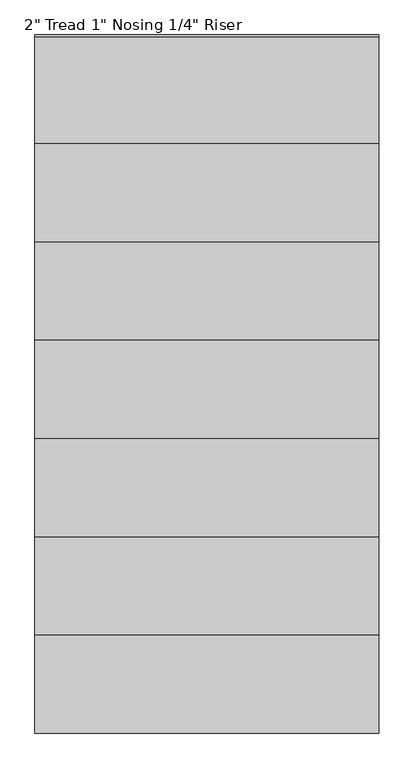
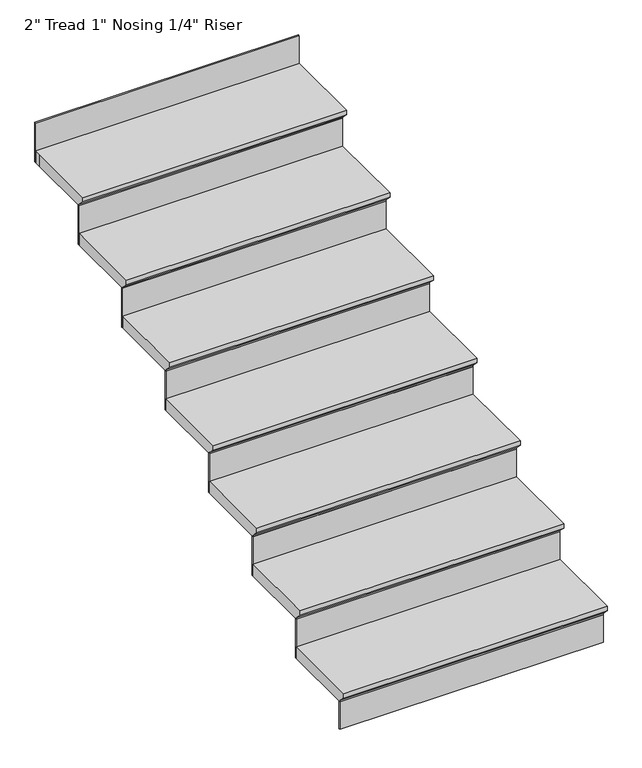
"""IFC4 building model written with IfcOpenShell, lengths in millimetres: stair flight geometry."""

from ifc_helpers import new_model, si_unit, origin, place, context, project, spatial, faceted_brep, source, transform, mapped, element, save


def stair_flight_4bdedba6(model_context):
    return source(origin(), model_context, "Body", "Brep", [
        faceted_brep([(29555.6368532, -16252.694512, 149.7852941), (29555.6368532, -16252.694512, 168.8352941), (28488.8368532, -16252.694512, 168.8352941), (28488.8368532, -16252.694512, 149.7852941), (29555.6368532, -16227.294512, 124.3852941), (28488.8368532, -16227.294512, 124.3852941), (29555.6368532, -15922.494512, 168.8352941), (28488.8368532, -15922.494512, 168.8352941), (28488.8368532, -16227.294512, 118.0352941), (28488.8368532, -15922.494512, 118.0352941), (29555.6368532, -15922.494512, 118.0352941), (29555.6368532, -16227.294512, 118.0352941)], [[[0, 1, 2, 3]], [[4, 0, 3, 5]], [[2, 1, 6, 7]], [[8, 9, 10, 11]], [[2, 7, 9, 8, 5, 3]], [[8, 11, 4, 5]], [[6, 1, 0, 4, 11, 10]], [[7, 6, 10, 9]]]),
        faceted_brep([(29555.6368532, -16227.294512, 118.0352941), (29555.6368532, -16227.294512, 0.0), (29555.6368532, -16220.944512, 0.0), (29555.6368532, -16220.944512, 118.0352941), (28488.8368532, -16227.294512, 118.0352941), (28488.8368532, -16220.944512, 118.0352941), (28488.8368532, -16220.944512, 0.0), (28488.8368532, -16227.294512, 0.0)], [[[0, 1, 2, 3]], [[4, 5, 6, 7]], [[1, 0, 4, 7]], [[2, 1, 7, 6]], [[3, 2, 6, 5]], [[0, 3, 5, 4]]]),
        faceted_brep([(29555.6368532, -15922.494512, 286.8705882), (29555.6368532, -15922.494512, 118.0352941), (29555.6368532, -15916.144512, 118.0352941), (29555.6368532, -15916.144512, 286.8705882), (28488.8368532, -15922.494512, 286.8705882), (28488.8368532, -15916.144512, 286.8705882), (28488.8368532, -15916.144512, 118.0352941), (28488.8368532, -15922.494512, 118.0352941)], [[[0, 1, 2, 3]], [[4, 5, 6, 7]], [[1, 0, 4, 7]], [[2, 1, 7, 6]], [[3, 2, 6, 5]], [[0, 3, 5, 4]]]),
        faceted_brep([(28488.8368532, -15947.894512, 337.6705882), (29555.6368532, -15947.894512, 337.6705882), (29555.6368532, -15617.694512, 337.6705882), (28488.8368532, -15617.694512, 337.6705882), (28488.8368532, -15922.494512, 286.8705882), (28488.8368532, -15617.694512, 286.8705882), (29555.6368532, -15617.694512, 286.8705882), (29555.6368532, -15922.494512, 286.8705882), (28488.8368532, -15922.494512, 293.2205882), (28488.8368532, -15947.894512, 318.6205882), (29555.6368532, -15922.494512, 293.2205882), (29555.6368532, -15947.894512, 318.6205882)], [[[0, 1, 2, 3]], [[4, 5, 6, 7]], [[0, 3, 5, 4, 8, 9]], [[4, 7, 10, 8]], [[2, 1, 11, 10, 7, 6]], [[3, 2, 6, 5]], [[11, 1, 0, 9]], [[10, 11, 9, 8]]]),
        faceted_brep([(29555.6368532, -15617.694512, 455.7058824), (29555.6368532, -15617.694512, 286.8705882), (29555.6368532, -15611.344512, 286.8705882), (29555.6368532, -15611.344512, 455.7058824), (28488.8368532, -15617.694512, 455.7058824), (28488.8368532, -15611.344512, 455.7058824), (28488.8368532, -15611.344512, 286.8705882), (28488.8368532, -15617.694512, 286.8705882)], [[[0, 1, 2, 3]], [[4, 5, 6, 7]], [[1, 0, 4, 7]], [[2, 1, 7, 6]], [[3, 2, 6, 5]], [[0, 3, 5, 4]]]),
        faceted_brep([(28488.8368532, -15643.094512, 506.5058824), (29555.6368532, -15643.094512, 506.5058824), (29555.6368532, -15312.894512, 506.5058824), (28488.8368532, -15312.894512, 506.5058824), (28488.8368532, -15617.694512, 455.7058824), (28488.8368532, -15312.894512, 455.7058824), (29555.6368532, -15312.894512, 455.7058824), (29555.6368532, -15617.694512, 455.7058824), (28488.8368532, -15617.694512, 462.0558824), (28488.8368532, -15643.094512, 487.4558824), (29555.6368532, -15617.694512, 462.0558824), (29555.6368532, -15643.094512, 487.4558824)], [[[0, 1, 2, 3]], [[4, 5, 6, 7]], [[0, 3, 5, 4, 8, 9]], [[4, 7, 10, 8]], [[2, 1, 11, 10, 7, 6]], [[3, 2, 6, 5]], [[11, 1, 0, 9]], [[10, 11, 9, 8]]]),
        faceted_brep([(29555.6368532, -15312.894512, 624.5411765), (29555.6368532, -15312.894512, 455.7058824), (29555.6368532, -15306.544512, 455.7058824), (29555.6368532, -15306.544512, 624.5411765), (28488.8368532, -15312.894512, 624.5411765), (28488.8368532, -15306.544512, 624.5411765), (28488.8368532, -15306.544512, 455.7058824), (28488.8368532, -15312.894512, 455.7058824)], [[[0, 1, 2, 3]], [[4, 5, 6, 7]], [[1, 0, 4, 7]], [[2, 1, 7, 6]], [[3, 2, 6, 5]], [[0, 3, 5, 4]]]),
        faceted_brep([(28488.8368532, -15338.294512, 675.3411765), (29555.6368532, -15338.294512, 675.3411765), (29555.6368532, -15008.094512, 675.3411765), (28488.8368532, -15008.094512, 675.3411765), (28488.8368532, -15312.894512, 624.5411765), (28488.8368532, -15008.094512, 624.5411765), (29555.6368532, -15008.094512, 624.5411765), (29555.6368532, -15312.894512, 624.5411765), (28488.8368532, -15312.894512, 630.8911765), (28488.8368532, -15338.294512, 656.2911765), (29555.6368532, -15312.894512, 630.8911765), (29555.6368532, -15338.294512, 656.2911765)], [[[0, 1, 2, 3]], [[4, 5, 6, 7]], [[0, 3, 5, 4, 8, 9]], [[4, 7, 10, 8]], [[2, 1, 11, 10, 7, 6]], [[3, 2, 6, 5]], [[11, 1, 0, 9]], [[10, 11, 9, 8]]]),
        faceted_brep([(29555.6368532, -15008.094512, 793.3764706), (29555.6368532, -15008.094512, 624.5411765), (29555.6368532, -15001.744512, 624.5411765), (29555.6368532, -15001.744512, 793.3764706), (28488.8368532, -15008.094512, 793.3764706), (28488.8368532, -15001.744512, 793.3764706), (28488.8368532, -15001.744512, 624.5411765), (28488.8368532, -15008.094512, 624.5411765)], [[[0, 1, 2, 3]], [[4, 5, 6, 7]], [[1, 0, 4, 7]], [[2, 1, 7, 6]], [[3, 2, 6, 5]], [[0, 3, 5, 4]]]),
        faceted_brep([(28488.8368532, -15033.494512, 844.1764706), (29555.6368532, -15033.494512, 844.1764706), (29555.6368532, -14703.294512, 844.1764706), (28488.8368532, -14703.294512, 844.1764706), (28488.8368532, -15008.094512, 793.3764706), (28488.8368532, -14703.294512, 793.3764706), (29555.6368532, -14703.294512, 793.3764706), (29555.6368532, -15008.094512, 793.3764706), (28488.8368532, -15008.094512, 799.7264706), (28488.8368532, -15033.494512, 825.1264706), (29555.6368532, -15008.094512, 799.7264706), (29555.6368532, -15033.494512, 825.1264706)], [[[0, 1, 2, 3]], [[4, 5, 6, 7]], [[0, 3, 5, 4, 8, 9]], [[4, 7, 10, 8]], [[2, 1, 11, 10, 7, 6]], [[3, 2, 6, 5]], [[11, 1, 0, 9]], [[10, 11, 9, 8]]]),
        faceted_brep([(29555.6368532, -14703.294512, 962.2117647), (29555.6368532, -14703.294512, 793.3764706), (29555.6368532, -14696.944512, 793.3764706), (29555.6368532, -14696.944512, 962.2117647), (28488.8368532, -14703.294512, 962.2117647), (28488.8368532, -14696.944512, 962.2117647), (28488.8368532, -14696.944512, 793.3764706), (28488.8368532, -14703.294512, 793.3764706)], [[[0, 1, 2, 3]], [[4, 5, 6, 7]], [[1, 0, 4, 7]], [[2, 1, 7, 6]], [[3, 2, 6, 5]], [[0, 3, 5, 4]]]),
        faceted_brep([(28488.8368532, -14728.694512, 1013.0117647), (29555.6368532, -14728.694512, 1013.0117647), (29555.6368532, -14398.494512, 1013.0117647), (28488.8368532, -14398.494512, 1013.0117647), (28488.8368532, -14703.294512, 962.2117647), (28488.8368532, -14398.494512, 962.2117647), (29555.6368532, -14398.494512, 962.2117647), (29555.6368532, -14703.294512, 962.2117647), (28488.8368532, -14703.294512, 968.5617647), (28488.8368532, -14728.694512, 993.9617647), (29555.6368532, -14703.294512, 968.5617647), (29555.6368532, -14728.694512, 993.9617647)], [[[0, 1, 2, 3]], [[4, 5, 6, 7]], [[0, 3, 5, 4, 8, 9]], [[4, 7, 10, 8]], [[2, 1, 11, 10, 7, 6]], [[3, 2, 6, 5]], [[11, 1, 0, 9]], [[10, 11, 9, 8]]]),
        faceted_brep([(29555.6368532, -14093.694512, 1299.8823529), (29555.6368532, -14093.694512, 1131.0470588), (29555.6368532, -14087.344512, 1131.0470588), (29555.6368532, -14087.344512, 1299.8823529), (28488.8368532, -14093.694512, 1299.8823529), (28488.8368532, -14087.344512, 1299.8823529), (28488.8368532, -14087.344512, 1131.0470588), (28488.8368532, -14093.694512, 1131.0470588)], [[[0, 1, 2, 3]], [[4, 5, 6, 7]], [[1, 0, 4, 7]], [[2, 1, 7, 6]], [[3, 2, 6, 5]], [[0, 3, 5, 4]]]),
        faceted_brep([(29555.6368532, -14398.494512, 1131.0470588), (29555.6368532, -14398.494512, 962.2117647), (29555.6368532, -14392.144512, 962.2117647), (29555.6368532, -14392.144512, 1131.0470588), (28488.8368532, -14398.494512, 1131.0470588), (28488.8368532, -14392.144512, 1131.0470588), (28488.8368532, -14392.144512, 962.2117647), (28488.8368532, -14398.494512, 962.2117647)], [[[0, 1, 2, 3]], [[4, 5, 6, 7]], [[1, 0, 4, 7]], [[2, 1, 7, 6]], [[3, 2, 6, 5]], [[0, 3, 5, 4]]]),
        faceted_brep([(28488.8368532, -14093.694512, 1181.8470588), (28488.8368532, -14119.094512, 1181.8470588), (28488.8368532, -14423.894512, 1181.8470588), (29555.6368532, -14423.894512, 1181.8470588), (29555.6368532, -14119.094512, 1181.8470588), (29555.6368532, -14093.694512, 1181.8470588), (28488.8368532, -14119.094512, 1131.0470588), (28488.8368532, -14093.694512, 1131.0470588), (29555.6368532, -14093.694512, 1131.0470588), (29555.6368532, -14119.094512, 1131.0470588), (29555.6368532, -14398.494512, 1131.0470588), (28488.8368532, -14398.494512, 1131.0470588), (28488.8368532, -14398.494512, 1137.3970588), (28488.8368532, -14423.894512, 1162.7970588), (29555.6368532, -14398.494512, 1137.3970588), (29555.6368532, -14423.894512, 1162.7970588)], [[[0, 1, 2, 3, 4, 5]], [[6, 7, 8, 9, 10, 11]], [[1, 0, 7, 6]], [[2, 1, 6, 11, 12, 13]], [[11, 10, 14, 12]], [[4, 3, 15, 14, 10, 9]], [[5, 4, 9, 8]], [[0, 5, 8, 7]], [[15, 3, 2, 13]], [[14, 15, 13, 12]]]),
    ])


if __name__ == "__main__":
    model = new_model("IFC4")
    model_context = context("Model", 3, world=origin())
    ifc_project = project(units=[si_unit("LENGTHUNIT", "METRE", prefix="MILLI")], contexts=[model_context])
    site = spatial("IfcSite", under=ifc_project)
    building = spatial("IfcBuilding", under=site)
    placement = place(None, origin())
    stair_flight_shape = stair_flight_4bdedba6(model_context)
    element("IfcStairFlight", 1, ObjectType="2\" Tread 1\" Nosing 1/4\" Riser", at=placement, inside=building, context=model_context, shape_type="MappedRepresentation", body=[
        mapped(stair_flight_shape, transform((0.0, 0.0, 0.0), x_axis=(1.0, 0.0, 0.0), y_axis=(0.0, 1.0, 0.0), z_axis=(0.0, 0.0, 1.0))),
    ])
    save(model, "model.ifc")
